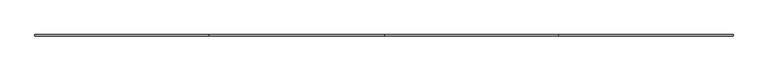
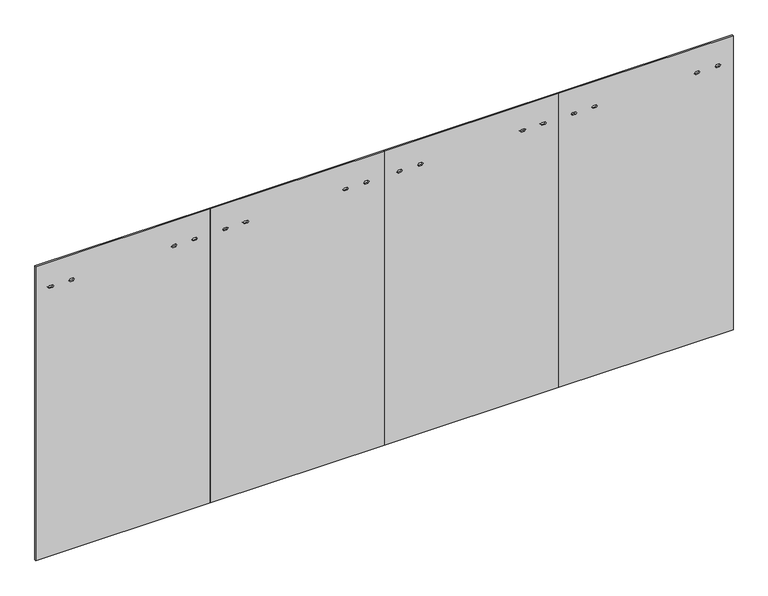
"""IFC4 building model written with IfcOpenShell, lengths in millimetres: furniture geometry."""

from ifc_helpers import new_model, si_unit, frame, origin, place, context, project, spatial, polyline, outline, extrude, source, transform, mapped, element, save


def furniture_b0ca145b(model_context):
    return source(origin(), model_context, "Body", "SweptSolid", [
        extrude(outline(polyline([(12.7, 4876.8), (2186.3010468, 4876.8), (2186.3010468, 3657.6), (12.7, 3657.6), (12.7, 4876.8)]), holes=[polyline([(2001.1032968, 3745.6299829), (2011.0981968, 3753.6817829), (2011.0981968, 3775.6781829), (2001.1032968, 3783.7299829), (1991.1083968, 3775.6781829), (1991.1083968, 3753.6817829), (2001.1032968, 3745.6299829)]), polyline([(2001.1032968, 3890.049983), (2011.0981968, 3898.101783), (2011.0981968, 3920.098183), (2001.1032968, 3928.149983), (1991.1083968, 3920.098183), (1991.1083968, 3898.101783), (2001.1032968, 3890.049983)]), polyline([(2001.1032968, 4606.250017), (2011.0981968, 4614.301817), (2011.0981968, 4636.298217), (2001.1032968, 4644.350017), (1991.1083968, 4636.298217), (1991.1083968, 4614.301817), (2001.1032968, 4606.250017)]), polyline([(2001.1032968, 4750.6700171), (2011.0981968, 4758.7218171), (2011.0981968, 4780.7182171), (2001.1032968, 4788.7700171), (1991.1083968, 4780.7182171), (1991.1083968, 4758.7218171), (2001.1032968, 4750.6700171)])]), frame((0.0, -4.7752, 0.0), z_axis=(0.0, 1.0, 0.0), x_axis=(0.0, 0.0, 1.0)), (0.0, 0.0, 1.0), 9.525),
        extrude(outline(polyline([(12.7, 2438.4), (2186.3010468, 2438.4), (2186.3010468, 1219.2), (12.7, 1219.2), (12.7, 2438.4)]), holes=[polyline([(2001.1032968, 1307.2299829), (2011.0981968, 1315.2817829), (2011.0981968, 1337.2781829), (2001.1032968, 1345.3299829), (1991.1083968, 1337.2781829), (1991.1083968, 1315.2817829), (2001.1032968, 1307.2299829)]), polyline([(2001.1032968, 1451.649983), (2011.0981968, 1459.701783), (2011.0981968, 1481.698183), (2001.1032968, 1489.749983), (1991.1083968, 1481.698183), (1991.1083968, 1459.701783), (2001.1032968, 1451.649983)]), polyline([(2001.1032968, 2148.800017), (2011.0981968, 2156.851817), (2011.0981968, 2178.848217), (2001.1032968, 2186.900017), (1991.1083968, 2178.848217), (1991.1083968, 2156.851817), (2001.1032968, 2148.800017)]), polyline([(2001.1032968, 2293.2200171), (2011.0981968, 2301.2718171), (2011.0981968, 2323.2682171), (2001.1032968, 2331.3200171), (1991.1083968, 2323.2682171), (1991.1083968, 2301.2718171), (2001.1032968, 2293.2200171)])]), frame((0.0, -4.7752, 0.0), z_axis=(0.0, 1.0, 0.0), x_axis=(0.0, 0.0, 1.0)), (0.0, 0.0, 1.0), 9.525),
        extrude(outline(polyline([(12.7, 2438.4), (12.7, 3657.6), (2186.3010468, 3657.6), (2186.3010468, 2438.4), (12.7, 2438.4)]), holes=[polyline([(2001.1032968, 2526.4299829), (2011.0981968, 2534.4817829), (2011.0981968, 2556.4781829), (2001.1032968, 2564.5299829), (1991.1083968, 2556.4781829), (1991.1083968, 2534.4817829), (2001.1032968, 2526.4299829)]), polyline([(2001.1032968, 2670.849983), (2011.0981968, 2678.901783), (2011.0981968, 2700.898183), (2001.1032968, 2708.949983), (1991.1083968, 2700.898183), (1991.1083968, 2678.901783), (2001.1032968, 2670.849983)]), polyline([(2001.1032968, 3387.050017), (2011.0981968, 3395.101817), (2011.0981968, 3417.098217), (2001.1032968, 3425.150017), (1991.1083968, 3417.098217), (1991.1083968, 3395.101817), (2001.1032968, 3387.050017)]), polyline([(2001.1032968, 3531.4700171), (2011.0981968, 3539.5218171), (2011.0981968, 3561.5182171), (2001.1032968, 3569.5700171), (1991.1083968, 3561.5182171), (1991.1083968, 3539.5218171), (2001.1032968, 3531.4700171)])]), frame((0.0, -4.7752, 0.0), z_axis=(0.0, 1.0, 0.0), x_axis=(0.0, 0.0, 1.0)), (0.0, 0.0, 1.0), 9.525),
        extrude(outline(polyline([(12.7, 0.0), (12.7, 1219.2), (2186.3010468, 1219.2), (2186.3010468, 0.0), (12.7, 0.0)]), holes=[polyline([(2001.1032968, 88.0299829), (2011.0981968, 96.0817829), (2011.0981968, 118.0781829), (2001.1032968, 126.1299829), (1991.1083968, 118.0781829), (1991.1083968, 96.0817829), (2001.1032968, 88.0299829)]), polyline([(2001.1032968, 232.449983), (2011.0981968, 240.501783), (2011.0981968, 262.498183), (2001.1032968, 270.549983), (1991.1083968, 262.498183), (1991.1083968, 240.501783), (2001.1032968, 232.449983)]), polyline([(2001.1032968, 948.650017), (2011.0981968, 956.701817), (2011.0981968, 978.698217), (2001.1032968, 986.750017), (1991.1083968, 978.698217), (1991.1083968, 956.701817), (2001.1032968, 948.650017)]), polyline([(2001.1032968, 1093.0700171), (2011.0981968, 1101.1218171), (2011.0981968, 1123.1182171), (2001.1032968, 1131.1700171), (1991.1083968, 1123.1182171), (1991.1083968, 1101.1218171), (2001.1032968, 1093.0700171)])]), frame((0.0, -4.7752, 0.0), z_axis=(0.0, 1.0, 0.0), x_axis=(0.0, 0.0, 1.0)), (0.0, 0.0, 1.0), 9.525),
    ])


if __name__ == "__main__":
    model = new_model("IFC4")
    model_context = context("Model", 3, world=origin())
    ifc_project = project(units=[si_unit("LENGTHUNIT", "METRE", prefix="MILLI")], contexts=[model_context])
    site = spatial("IfcSite", under=ifc_project)
    building = spatial("IfcBuilding", under=site)
    placement = place(None, origin())
    furniture_shape = furniture_b0ca145b(model_context)
    element("IfcFurniture", 1, at=placement, inside=building, context=model_context, shape_type="MappedRepresentation", body=[
        mapped(furniture_shape, transform((0.0, 0.0, 0.0), x_axis=(1.0, 0.0, 0.0), y_axis=(0.0, 1.0, 0.0), z_axis=(0.0, 0.0, 1.0))),
    ])
    save(model, "model.ifc")
